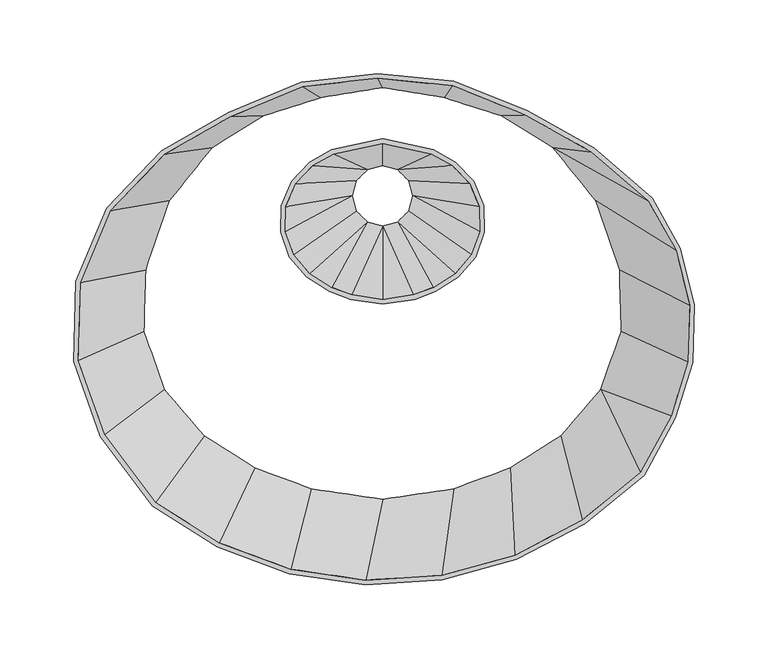
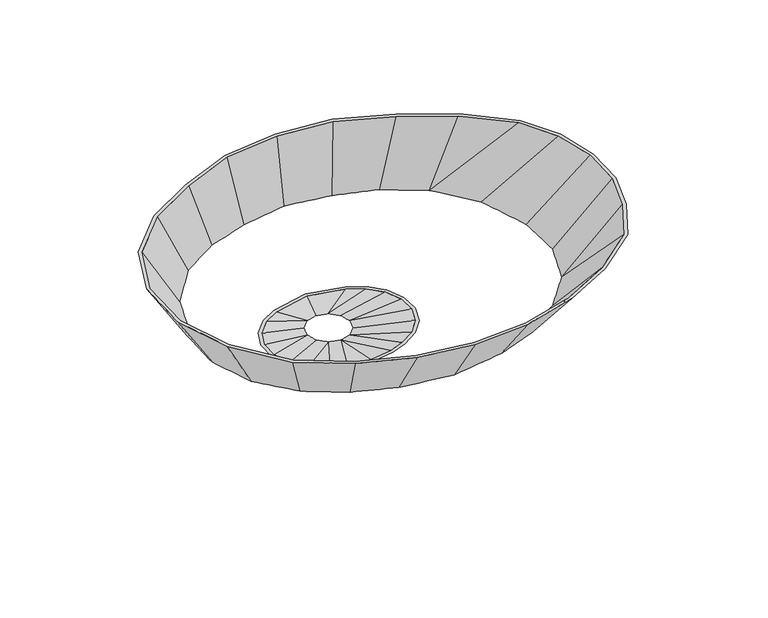
"""IFC4 building model written with IfcOpenShell, lengths in millimetres: furniture geometry."""

from ifc_helpers import new_model, si_unit, frame, origin, place, context, project, spatial, source, transform, mapped, element, save
from ifc_brep_helpers import plane_surface, spline_surface, advanced_brep


def furniture_09c26f7a(model_context):
    return source(origin(), model_context, "Body", "AdvancedBrep", [
        advanced_brep(
        [(18.7377049, -168.1204068, 750.7079192), (-15.5833152, -175.4794291, 750.7079192), (-30.5522779, -184.0432232, 750.7079192), (-42.9697976, -197.0068215, 750.7079192), (-49.8899966, -213.5706724, 750.7079192), (-50.3855513, -231.5151439, 750.7079192), (-44.3900597, -248.4356591, 750.7079192), (-32.7069066, -262.0648054, 750.7079192), (-17.1439621, -271.8912115, 750.7079192), (-2.9492076, -277.1476864, 750.7079192), (18.7377049, -280.3393492, 750.7079192), (40.4246174, -277.1476864, 750.7079192), (54.6193719, -271.8912115, 750.7079192), (70.1823164, -262.0648054, 750.7079192), (81.8654696, -248.4356591, 750.7079192), (87.8609612, -231.5151439, 750.7079192), (87.3654064, -213.5706724, 750.7079192), (80.4452074, -197.0068215, 750.7079192), (68.0276878, -184.0432232, 750.7079192), (53.058725, -175.4794291, 750.7079192), (-28.5770714, -186.5710742, 750.7079192), (-14.4350781, -178.480392, 750.7079192), (18.7377049, -171.3675717, 750.7079192), (51.910488, -178.480392, 750.7079192), (66.0524813, -186.5710742, 750.7079192), (77.7434795, -198.7762011, 750.7079192), (84.2079343, -214.2492051, 750.7079192), (84.6708533, -231.0119058, 750.7079192), (79.0702084, -246.8180821, 750.7079192), (68.0829473, -259.6354257, 750.7079192), (53.2052299, -269.0291811, 750.7079192), (39.6336228, -274.0548976, 750.7079192), (18.7377049, -277.1301497, 750.7079192), (-2.1582129, -274.0548976, 750.7079192), (-15.7298201, -269.0291811, 750.7079192), (-30.6075374, -259.6354257, 750.7079192), (-41.5947986, -246.8180821, 750.7079192), (-47.1954435, -231.0119058, 750.7079192), (-46.7325245, -214.2492051, 750.7079192), (-40.2680696, -198.7762011, 750.7079192), (18.7502473, -183.1179709, 740.1668732), (30.6564973, -186.3082376, 740.1668732), (39.3724806, -195.0242209, 740.1668732), (42.5627473, -206.9304709, 740.1668732), (39.3724806, -218.8367209, 740.1668732), (30.6564973, -227.5527041, 740.1668732), (18.7502473, -230.7429709, 740.1668732), (6.8439973, -227.5527041, 740.1668732), (-1.8719859, -218.8367209, 740.1668732), (-5.0622527, -206.9304709, 740.1668732), (-1.8719859, -195.0242209, 740.1668732), (6.8439973, -186.3082376, 740.1668732), (8.4874979, -189.154865, 740.1668732), (0.9746415, -196.6677215, 740.1668732), (-1.7752511, -206.9304709, 740.1668732), (0.9746415, -217.1932202, 740.1668732), (8.4874979, -224.7060767, 740.1668732), (18.7502473, -227.4559692, 740.1668732), (29.0129967, -224.7060767, 740.1668732), (36.5258531, -217.1932202, 740.1668732), (39.2757457, -206.9304709, 740.1668732), (36.5258531, -196.6677215, 740.1668732), (29.0129967, -189.154865, 740.1668732), (18.7502473, -186.4049725, 740.1668732)],
        [
            (0, 1),
            (1, 2),
            (2, 3),
            (3, 4),
            (4, 5),
            (5, 6),
            (6, 7),
            (7, 8),
            (8, 9),
            (9, 10),
            (10, 11),
            (11, 12),
            (12, 13),
            (13, 14),
            (14, 15),
            (15, 16),
            (16, 17),
            (17, 18),
            (18, 19),
            (19, 0),
            (20, 21),
            (21, 22),
            (22, 23),
            (23, 24),
            (24, 25),
            (25, 26),
            (26, 27),
            (27, 28),
            (28, 29),
            (29, 30),
            (30, 31),
            (31, 32),
            (32, 33),
            (33, 34),
            (34, 35),
            (35, 36),
            (36, 37),
            (37, 38),
            (38, 39),
            (39, 20),
            (40, 41),
            (41, 42),
            (42, 43),
            (43, 44),
            (44, 45),
            (45, 46),
            (46, 47),
            (47, 48),
            (48, 49),
            (49, 50),
            (50, 51),
            (51, 40),
            (52, 53),
            (53, 54),
            (54, 55),
            (55, 56),
            (56, 57),
            (57, 58),
            (58, 59),
            (59, 60),
            (60, 61),
            (61, 62),
            (62, 63),
            (63, 52),
            (0, 40),
            (51, 1),
            (51, 2),
            (50, 3),
            (49, 4),
            (49, 5),
            (48, 6),
            (47, 7),
            (47, 8),
            (46, 9),
            (46, 10),
            (46, 11),
            (45, 12),
            (45, 13),
            (44, 14),
            (43, 15),
            (43, 16),
            (42, 17),
            (41, 18),
            (41, 19),
            (20, 52),
            (52, 21),
            (39, 53),
            (38, 54),
            (37, 54),
            (36, 55),
            (35, 56),
            (34, 56),
            (33, 57),
            (32, 57),
            (31, 57),
            (30, 58),
            (29, 58),
            (28, 59),
            (27, 60),
            (26, 60),
            (25, 61),
            (24, 62),
            (23, 62),
            (22, 63),
        ],
        [
            plane_surface(frame((18.7377049, -228.538453, 750.7079192), z_axis=(0.0, 0.0, 1.0), x_axis=(-0.9777760359264014, -0.2096521489707481, 0.0))),
            plane_surface(frame((18.7502473, -206.9304709, 740.1668732), z_axis=(0.0, 0.0, -1.0), x_axis=(-0.9777760359264014, -0.2096521489707481, 0.0))),
            spline_surface(1, 1, [[(18.7502473, -183.1179709, 740.1668732), (18.7377049, -168.1204068, 750.7079192)], [(6.8439973, -186.3082376, 740.1668732), (-15.5833152, -175.4794291, 750.7079192)]], [2, 2], [2, 2], [0.0, 1.0], [0.0, 1.0]),
            plane_surface(frame((6.8439973, -186.3082376, 740.1668732), z_axis=(-0.22676185041430638, 0.3963651672834325, -0.889648086245936), x_axis=(-0.8679907178502557, -0.4965804201997878, 0.0))),
            spline_surface(1, 1, [[(6.8439973, -186.3082376, 740.1668732), (-30.5522779, -184.0432232, 750.7079192)], [(-1.8719859, -195.0242209, 740.1668732), (-42.9697976, -197.0068215, 750.7079192)]], [2, 2], [2, 2], [0.0, 1.0], [0.0, 1.0]),
            spline_surface(1, 1, [[(-1.8719859, -195.0242209, 740.1668732), (-42.9697976, -197.0068215, 750.7079192)], [(-5.0622527, -206.9304709, 740.1668732), (-49.8899966, -213.5706724, 750.7079192)]], [2, 2], [2, 2], [0.0, 1.0], [0.0, 1.0]),
            plane_surface(frame((-5.0622527, -206.9304709, 740.1668732), z_axis=(-0.22978835910847809, 0.006345838585882199, -0.9732199342136776), x_axis=(-0.02760548961262403, -0.9996188958514376, 0.0))),
            spline_surface(1, 1, [[(-5.0622527, -206.9304709, 740.1668732), (-50.3855513, -231.5151439, 750.7079192)], [(-1.8719859, -218.8367209, 740.1668732), (-44.3900597, -248.4356591, 750.7079192)]], [2, 2], [2, 2], [0.0, 1.0], [0.0, 1.0]),
            spline_surface(1, 1, [[(-1.8719859, -218.8367209, 740.1668732), (-44.3900597, -248.4356591, 750.7079192)], [(6.8439973, -227.5527041, 740.1668732), (-32.7069066, -262.0648054, 750.7079192)]], [2, 2], [2, 2], [0.0, 1.0], [0.0, 1.0]),
            plane_surface(frame((6.8439973, -227.5527041, 740.1668732), z_axis=(-0.10950888753115123, -0.17343886598891994, -0.978737331114006), x_axis=(0.8455581181800956, -0.5338833850006344, 0.0))),
            spline_surface(1, 1, [[(6.8439973, -227.5527041, 740.1668732), (-17.1439621, -271.8912115, 750.7079192)], [(18.7502473, -230.7429709, 740.1668732), (-2.9492076, -277.1476864, 750.7079192)]], [2, 2], [2, 2], [0.0, 1.0], [0.0, 1.0]),
            plane_surface(frame((18.7502473, -230.7429709, 740.1668732), z_axis=(-0.030580216171947783, -0.2077883882019196, -0.9776956766332383), x_axis=(0.9893432972940192, -0.14560164868365444, 0.0))),
            plane_surface(frame((18.7502473, -230.7429709, 740.1668732), z_axis=(0.03058239208429286, -0.20780317322883082, -0.9776924662133956), x_axis=(0.9893432972940192, 0.14560164868365444, 0.0))),
            spline_surface(1, 1, [[(18.7502473, -230.7429709, 740.1668732), (40.4246174, -277.1476864, 750.7079192)], [(30.6564973, -227.5527041, 740.1668732), (54.6193719, -271.8912115, 750.7079192)]], [2, 2], [2, 2], [0.0, 1.0], [0.0, 1.0]),
            plane_surface(frame((30.6564973, -227.5527041, 740.1668732), z_axis=(0.10953682581018129, -0.17348311430101493, -0.9787263625977647), x_axis=(0.8455581181800956, 0.5338833850006344, 0.0))),
            spline_surface(1, 1, [[(30.6564973, -227.5527041, 740.1668732), (70.1823164, -262.0648054, 750.7079192)], [(39.3724806, -218.8367209, 740.1668732), (81.8654696, -248.4356591, 750.7079192)]], [2, 2], [2, 2], [0.0, 1.0], [0.0, 1.0]),
            spline_surface(1, 1, [[(39.3724806, -218.8367209, 740.1668732), (81.8654696, -248.4356591, 750.7079192)], [(42.5627473, -206.9304709, 740.1668732), (87.8609612, -231.5151439, 750.7079192)]], [2, 2], [2, 2], [0.0, 1.0], [0.0, 1.0]),
            plane_surface(frame((42.5627473, -206.9304709, 740.1668732), z_axis=(0.2299107131132436, 0.00634921751581403, -0.9731910148746219), x_axis=(-0.02760548961262403, 0.9996188958514376, 0.0))),
            spline_surface(1, 1, [[(42.5627473, -206.9304709, 740.1668732), (87.3654064, -213.5706724, 750.7079192)], [(39.3724806, -195.0242209, 740.1668732), (80.4452074, -197.0068215, 750.7079192)]], [2, 2], [2, 2], [0.0, 1.0], [0.0, 1.0]),
            spline_surface(1, 1, [[(39.3724806, -195.0242209, 740.1668732), (80.4452074, -197.0068215, 750.7079192)], [(30.6564973, -186.3082376, 740.1668732), (68.0276878, -184.0432232, 750.7079192)]], [2, 2], [2, 2], [0.0, 1.0], [0.0, 1.0]),
            plane_surface(frame((30.6564973, -186.3082376, 740.1668732), z_axis=(0.2268707598977744, 0.39655553407376637, -0.8895354780439488), x_axis=(-0.8679907178502557, 0.4965804201997878, 0.0))),
            spline_surface(1, 1, [[(30.6564973, -186.3082376, 740.1668732), (53.058725, -175.4794291, 750.7079192)], [(18.7502473, -183.1179709, 740.1668732), (18.7377049, -168.1204068, 750.7079192)]], [2, 2], [2, 2], [0.0, 1.0], [0.0, 1.0]),
            plane_surface(frame((8.4874979, -189.154865, 740.1668732), z_axis=(0.22578689214725703, -0.3946610027782154, 0.8906531155397012), x_axis=(-0.8679907178502556, -0.4965804201997879, 0.0))),
            spline_surface(1, 1, [[(8.4874979, -189.154865, 740.1668732), (0.9746415, -196.6677215, 740.1668732)], [(-28.5770714, -186.5710742, 750.7079192), (-40.2680696, -198.7762011, 750.7079192)]], [2, 2], [2, 2], [0.0, 1.0], [0.0, 1.0]),
            spline_surface(1, 1, [[(0.9746415, -196.6677215, 740.1668732), (-1.7752511, -206.9304709, 740.1668732)], [(-40.2680696, -198.7762011, 750.7079192), (-46.7325245, -214.2492051, 750.7079192)]], [2, 2], [2, 2], [0.0, 1.0], [0.0, 1.0]),
            plane_surface(frame((-1.7752511, -206.9304709, 740.1668732), z_axis=(0.2292494726861555, -0.0063309566907964925, 0.9733471108810562), x_axis=(-0.02760548961262429, -0.9996188958514376, 0.0))),
            spline_surface(1, 1, [[(-1.7752511, -206.9304709, 740.1668732), (0.9746415, -217.1932202, 740.1668732)], [(-47.1954435, -231.0119058, 750.7079192), (-41.5947986, -246.8180821, 750.7079192)]], [2, 2], [2, 2], [0.0, 1.0], [0.0, 1.0]),
            spline_surface(1, 1, [[(0.9746415, -217.1932202, 740.1668732), (8.4874979, -224.7060767, 740.1668732)], [(-41.5947986, -246.8180821, 750.7079192), (-30.6075374, -259.6354257, 750.7079192)]], [2, 2], [2, 2], [0.0, 1.0], [0.0, 1.0]),
            plane_surface(frame((8.4874979, -224.7060767, 740.1668732), z_axis=(0.10928112966596355, 0.17307814580676173, 0.9788266394735201), x_axis=(0.845558118180096, -0.5338833850006338, 0.0))),
            spline_surface(1, 1, [[(8.4874979, -224.7060767, 740.1668732), (18.7502473, -227.4559692, 740.1668732)], [(-15.7298201, -269.0291811, 750.7079192), (-2.1582129, -274.0548976, 750.7079192)]], [2, 2], [2, 2], [0.0, 1.0], [0.0, 1.0]),
            plane_surface(frame((18.7502473, -227.4559692, 740.1668732), z_axis=(0.030534429642633518, 0.20747727499480403, 0.9777631763198744), x_axis=(0.9893432972940192, -0.14560164868365377, 0.0))),
            plane_surface(frame((18.7502473, -227.4559692, 740.1668732), z_axis=(-0.0305365991936145, 0.2074920167971156, 0.9777599802994363), x_axis=(0.989343297294019, 0.14560164868365397, 0.0))),
            spline_surface(1, 1, [[(18.7502473, -227.4559692, 740.1668732), (29.0129967, -224.7060767, 740.1668732)], [(39.6336228, -274.0548976, 750.7079192), (53.2052299, -269.0291811, 750.7079192)]], [2, 2], [2, 2], [0.0, 1.0], [0.0, 1.0]),
            plane_surface(frame((29.0129967, -224.7060767, 740.1668732), z_axis=(-0.10930895437872662, 0.1731222142539615, 0.9788157392606818), x_axis=(0.8455581181800956, 0.5338833850006343, 0.0))),
            spline_surface(1, 1, [[(29.0129967, -224.7060767, 740.1668732), (36.5258531, -217.1932202, 740.1668732)], [(68.0829473, -259.6354257, 750.7079192), (79.0702084, -246.8180821, 750.7079192)]], [2, 2], [2, 2], [0.0, 1.0], [0.0, 1.0]),
            spline_surface(1, 1, [[(36.5258531, -217.1932202, 740.1668732), (39.2757457, -206.9304709, 740.1668732)], [(79.0702084, -246.8180821, 750.7079192), (84.6708533, -231.0119058, 750.7079192)]], [2, 2], [2, 2], [0.0, 1.0], [0.0, 1.0]),
            plane_surface(frame((39.2757457, -206.9304709, 740.1668732), z_axis=(-0.22937126927186283, -0.006334320227035704, 0.9733183945759353), x_axis=(-0.02760548961262429, 0.9996188958514376, 0.0))),
            spline_surface(1, 1, [[(39.2757457, -206.9304709, 740.1668732), (36.5258531, -196.6677215, 740.1668732)], [(84.2079343, -214.2492051, 750.7079192), (77.7434795, -198.7762011, 750.7079192)]], [2, 2], [2, 2], [0.0, 1.0], [0.0, 1.0]),
            spline_surface(1, 1, [[(36.5258531, -196.6677215, 740.1668732), (29.0129967, -189.154865, 740.1668732)], [(77.7434795, -198.7762011, 750.7079192), (66.0524813, -186.5710742, 750.7079192)]], [2, 2], [2, 2], [0.0, 1.0], [0.0, 1.0]),
            plane_surface(frame((29.0129967, -189.154865, 740.1668732), z_axis=(-0.22589498904476804, -0.3948499492204255, 0.890541953826484), x_axis=(-0.8679907178502556, 0.496580420199788, 0.0))),
            spline_surface(1, 1, [[(29.0129967, -189.154865, 740.1668732), (18.7502473, -186.4049725, 740.1668732)], [(51.910488, -178.480392, 750.7079192), (18.7377049, -171.3675717, 750.7079192)]], [2, 2], [2, 2], [0.0, 1.0], [0.0, 1.0]),
            spline_surface(1, 1, [[(18.7502473, -186.4049725, 740.1668732), (8.4874979, -189.154865, 740.1668732)], [(18.7377049, -171.3675717, 750.7079192), (-14.4350781, -178.480392, 750.7079192)]], [2, 2], [2, 2], [0.0, 1.0], [0.0, 1.0]),
        ],
        [
            (0, [[1, 2, 3, 4, 5, 6, 7, 8, 9, 10, 11, 12, 13, 14, 15, 16, 17, 18, 19, 20], [21, 22, 23, 24, 25, 26, 27, 28, 29, 30, 31, 32, 33, 34, 35, 36, 37, 38, 39, 40]]),
            (1, [[41, 42, 43, 44, 45, 46, 47, 48, 49, 50, 51, 52], [53, 54, 55, 56, 57, 58, 59, 60, 61, 62, 63, 64]]),
            (2, [[-1, 65, -52, 66]]),
            (3, [[-2, -66, 67]]),
            (4, [[-3, -67, -51, 68]]),
            (5, [[-4, -68, -50, 69]]),
            (6, [[-5, -69, 70]]),
            (7, [[-6, -70, -49, 71]]),
            (8, [[-7, -71, -48, 72]]),
            (9, [[-8, -72, 73]]),
            (10, [[-9, -73, -47, 74]]),
            (11, [[-10, -74, 75]]),
            (12, [[-11, -75, 76]]),
            (13, [[-12, -76, -46, 77]]),
            (14, [[-13, -77, 78]]),
            (15, [[-14, -78, -45, 79]]),
            (16, [[-15, -79, -44, 80]]),
            (17, [[-16, -80, 81]]),
            (18, [[-17, -81, -43, 82]]),
            (19, [[-18, -82, -42, 83]]),
            (20, [[-19, -83, 84]]),
            (21, [[-20, -84, -41, -65]]),
            (22, [[85, 86, -21]]),
            (23, [[-85, -40, 87, -53]]),
            (24, [[-87, -39, 88, -54]]),
            (25, [[-88, -38, 89]]),
            (26, [[-89, -37, 90, -55]]),
            (27, [[-90, -36, 91, -56]]),
            (28, [[-91, -35, 92]]),
            (29, [[-92, -34, 93, -57]]),
            (30, [[-93, -33, 94]]),
            (31, [[-94, -32, 95]]),
            (32, [[-95, -31, 96, -58]]),
            (33, [[-96, -30, 97]]),
            (34, [[-97, -29, 98, -59]]),
            (35, [[-98, -28, 99, -60]]),
            (36, [[-99, -27, 100]]),
            (37, [[-100, -26, 101, -61]]),
            (38, [[-101, -25, 102, -62]]),
            (39, [[-102, -24, 103]]),
            (40, [[-103, -23, 104, -63]]),
            (41, [[-86, -64, -104, -22]]),
        ],
    ),
        advanced_brep(
        [(-36.2924981, -129.6580708, 887.4958437), (-85.7509163, -150.3757834, 887.4958437), (-130.8877143, -176.1986803, 887.4958437), (-168.3309775, -215.2885726, 887.4958437), (-189.1978451, -265.234452, 887.4958437), (-190.6921126, -319.3434676, 887.4958437), (-172.6135422, -370.3648446, 887.4958437), (-137.3847014, -417.400709, 887.4958437), (-93.2756205, -445.2510803, 887.4958437), (-44.3564135, -463.366399, 887.4958437), (7.2532996, -470.9617566, 887.4958437), (59.3173637, -467.7081034, 887.4958437), (109.5799207, -453.746383, 887.4958437), (155.8631422, -429.6815364, 887.4958437), (196.1616272, -396.5562328, 887.4958437), (217.3921263, -357.6151867, 887.4958437), (229.0085321, -320.1329179, 887.4958437), (230.1622044, -280.908786, 887.4958437), (220.7688461, -242.808568, 887.4958437), (201.5147161, -208.6158513, 887.4958437), (162.2176598, -174.5586278, 887.4958437), (116.7947056, -149.2424405, 887.4958437), (67.1596357, -129.0791999, 887.4958437), (15.4037106, -124.03177, 887.4958437), (-128.912508, -178.7265314, 887.4958437), (-84.3439315, -153.2287157, 887.4958437), (-35.4908467, -132.7645723, 887.4958437), (15.4215704, -127.2235745, 887.4958437), (66.3922003, -132.1944195, 887.4958437), (115.4192187, -152.1106515, 887.4958437), (160.3858146, -177.1724905, 887.4958437), (199.0186923, -210.6540964, 887.4958437), (217.7898193, -243.9890654, 887.4958437), (226.9758448, -281.2483247, 887.4958437), (225.8476366, -319.606692, 887.4958437), (214.4530776, -356.3731352, 887.4958437), (193.6691606, -394.4950589, 887.4958437), (154.1036777, -427.0178358, 887.4958437), (108.4100272, -450.7761364, 887.4958437), (58.78773, -464.5600082, 887.4958437), (7.3868729, -467.7722153, 887.4958437), (-43.5654203, -460.2736097, 887.4958437), (-91.8614786, -442.3890498, 887.4958437), (-135.1944899, -415.0286871, 887.4958437), (-169.7823793, -368.8485902, 887.4958437), (-187.5020047, -318.8402284, 887.4958437), (-186.0403729, -265.9129849, 887.4958437), (-165.6292497, -217.0579524, 887.4958437), (-24.0597237, -137.2040855, 819.3162208), (18.7377049, -130.2570379, 819.3162208), (61.5351335, -137.2040855, 819.3162208), (100.7101042, -149.7707967, 819.3162208), (136.4620281, -171.7890657, 819.3162208), (166.1200561, -208.6531673, 819.3162208), (182.6482714, -256.6473671, 819.3162208), (183.8318474, -299.5059975, 819.3162208), (169.5121819, -339.9189559, 819.3162208), (141.6081529, -372.4708933, 819.3162208), (106.67026, -394.530557, 819.3162208), (67.922389, -408.8793178, 819.3162208), (18.7377049, -416.1178339, 819.3162208), (-30.4469791, -408.8793178, 819.3162208), (-69.1948502, -394.530557, 819.3162208), (-104.1327431, -372.4708933, 819.3162208), (-132.036772, -339.9189559, 819.3162208), (-146.3564376, -299.5059975, 819.3162208), (-145.1728616, -256.6473671, 819.3162208), (-128.6446462, -208.6531673, 819.3162208), (-98.9866182, -171.7890657, 819.3162208), (-63.2346944, -149.7707967, 819.3162208), (-61.897904, -152.6763339, 819.3162208), (-96.8557965, -174.2055888, 819.3162208), (-125.8232407, -210.211314, 819.3162208), (-142.0124997, -257.2212613, 819.3162208), (-143.1663298, -299.0027578, 819.3162208), (-129.2415108, -338.3013803, 819.3162208), (-102.0333726, -370.041514, 819.3162208), (-67.7807095, -391.668526, 819.3162208), (-29.6559845, -405.7865291, 819.3162208), (18.7377049, -412.9086344, 819.3162208), (67.1313943, -405.7865291, 819.3162208), (105.2561194, -391.668526, 819.3162208), (139.5087825, -370.041514, 819.3162208), (166.7169206, -338.3013803, 819.3162208), (180.6417396, -299.0027578, 819.3162208), (179.4879095, -257.2212613, 819.3162208), (163.2986505, -210.211314, 819.3162208), (134.3312064, -174.2055888, 819.3162208), (99.3733139, -152.6763339, 819.3162208), (60.7917211, -140.2999691, 819.3162208), (18.7377049, -133.4735951, 819.3162208), (-23.3163113, -140.2999691, 819.3162208)],
        [
            (0, 1),
            (1, 2),
            (2, 3),
            (3, 4),
            (4, 5),
            (5, 6),
            (6, 7),
            (7, 8),
            (8, 9),
            (9, 10),
            (10, 11),
            (11, 12),
            (12, 13),
            (13, 14),
            (14, 15),
            (15, 16),
            (16, 17),
            (17, 18),
            (18, 19),
            (19, 20),
            (20, 21),
            (21, 22),
            (22, 23),
            (23, 0),
            (24, 25),
            (25, 26),
            (26, 27),
            (27, 28),
            (28, 29),
            (29, 30),
            (30, 31),
            (31, 32),
            (32, 33),
            (33, 34),
            (34, 35),
            (35, 36),
            (36, 37),
            (37, 38),
            (38, 39),
            (39, 40),
            (40, 41),
            (41, 42),
            (42, 43),
            (43, 44),
            (44, 45),
            (45, 46),
            (46, 47),
            (47, 24),
            (48, 49),
            (49, 50),
            (50, 51),
            (51, 52),
            (52, 53),
            (53, 54),
            (54, 55),
            (55, 56),
            (56, 57),
            (57, 58),
            (58, 59),
            (59, 60),
            (60, 61),
            (61, 62),
            (62, 63),
            (63, 64),
            (64, 65),
            (65, 66),
            (66, 67),
            (67, 68),
            (68, 69),
            (69, 48),
            (70, 71),
            (71, 72),
            (72, 73),
            (73, 74),
            (74, 75),
            (75, 76),
            (76, 77),
            (77, 78),
            (78, 79),
            (79, 80),
            (80, 81),
            (81, 82),
            (82, 83),
            (83, 84),
            (84, 85),
            (85, 86),
            (86, 87),
            (87, 88),
            (88, 89),
            (89, 90),
            (90, 91),
            (91, 70),
            (0, 48),
            (69, 1),
            (68, 2),
            (67, 3),
            (66, 4),
            (65, 5),
            (64, 6),
            (63, 7),
            (62, 8),
            (61, 9),
            (60, 10),
            (59, 11),
            (58, 12),
            (57, 13),
            (56, 14),
            (56, 15),
            (55, 16),
            (54, 17),
            (53, 18),
            (52, 19),
            (52, 20),
            (51, 21),
            (50, 22),
            (49, 23),
            (70, 25),
            (24, 71),
            (47, 72),
            (46, 73),
            (45, 74),
            (44, 75),
            (43, 76),
            (42, 77),
            (41, 78),
            (40, 79),
            (39, 80),
            (38, 81),
            (37, 82),
            (36, 83),
            (35, 83),
            (34, 84),
            (33, 85),
            (32, 86),
            (31, 87),
            (30, 87),
            (29, 88),
            (28, 89),
            (27, 90),
            (26, 91),
        ],
        [
            plane_surface(frame((30.8256312, -298.2553925, 887.4958437), z_axis=(0.0, 0.0, 1.0), x_axis=(-0.9941296877717526, -0.10819502710770809, 0.0))),
            plane_surface(frame((18.7377049, -273.8688763, 819.3162208), z_axis=(0.0, 0.0, -1.0), x_axis=(-0.9941296877717526, -0.10819502710770809, 0.0))),
            spline_surface(1, 1, [[(-24.0597237, -137.2040855, 819.3162208), (-36.2924981, -129.6580708, 887.4958437)], [(-63.2346944, -149.7707967, 819.3162208), (-85.7509163, -150.3757834, 887.4958437)]], [2, 2], [2, 2], [0.0, 1.0], [0.0, 1.0]),
            spline_surface(1, 1, [[(-63.2346944, -149.7707967, 819.3162208), (-85.7509163, -150.3757834, 887.4958437)], [(-98.9866182, -171.7890657, 819.3162208), (-130.8877143, -176.1986803, 887.4958437)]], [2, 2], [2, 2], [0.0, 1.0], [0.0, 1.0]),
            spline_surface(1, 1, [[(-98.9866182, -171.7890657, 819.3162208), (-130.8877143, -176.1986803, 887.4958437)], [(-128.6446462, -208.6531673, 819.3162208), (-168.3309775, -215.2885726, 887.4958437)]], [2, 2], [2, 2], [0.0, 1.0], [0.0, 1.0]),
            spline_surface(1, 1, [[(-128.6446462, -208.6531673, 819.3162208), (-168.3309775, -215.2885726, 887.4958437)], [(-145.1728616, -256.6473671, 819.3162208), (-189.1978451, -265.234452, 887.4958437)]], [2, 2], [2, 2], [0.0, 1.0], [0.0, 1.0]),
            spline_surface(1, 1, [[(-145.1728616, -256.6473671, 819.3162208), (-189.1978451, -265.234452, 887.4958437)], [(-146.3564376, -299.5059975, 819.3162208), (-190.6921126, -319.3434676, 887.4958437)]], [2, 2], [2, 2], [0.0, 1.0], [0.0, 1.0]),
            spline_surface(1, 1, [[(-146.3564376, -299.5059975, 819.3162208), (-190.6921126, -319.3434676, 887.4958437)], [(-132.036772, -339.9189559, 819.3162208), (-172.6135422, -370.3648446, 887.4958437)]], [2, 2], [2, 2], [0.0, 1.0], [0.0, 1.0]),
            spline_surface(1, 1, [[(-132.036772, -339.9189559, 819.3162208), (-172.6135422, -370.3648446, 887.4958437)], [(-104.1327431, -372.4708933, 819.3162208), (-137.3847014, -417.400709, 887.4958437)]], [2, 2], [2, 2], [0.0, 1.0], [0.0, 1.0]),
            spline_surface(1, 1, [[(-104.1327431, -372.4708933, 819.3162208), (-137.3847014, -417.400709, 887.4958437)], [(-69.1948502, -394.530557, 819.3162208), (-93.2756205, -445.2510803, 887.4958437)]], [2, 2], [2, 2], [0.0, 1.0], [0.0, 1.0]),
            spline_surface(1, 1, [[(-69.1948502, -394.530557, 819.3162208), (-93.2756205, -445.2510803, 887.4958437)], [(-30.4469791, -408.8793178, 819.3162208), (-44.3564135, -463.366399, 887.4958437)]], [2, 2], [2, 2], [0.0, 1.0], [0.0, 1.0]),
            spline_surface(1, 1, [[(-30.4469791, -408.8793178, 819.3162208), (-44.3564135, -463.366399, 887.4958437)], [(18.7377049, -416.1178339, 819.3162208), (7.2532996, -470.9617566, 887.4958437)]], [2, 2], [2, 2], [0.0, 1.0], [0.0, 1.0]),
            spline_surface(1, 1, [[(18.7377049, -416.1178339, 819.3162208), (7.2532996, -470.9617566, 887.4958437)], [(67.922389, -408.8793178, 819.3162208), (59.3173637, -467.7081034, 887.4958437)]], [2, 2], [2, 2], [0.0, 1.0], [0.0, 1.0]),
            spline_surface(1, 1, [[(67.922389, -408.8793178, 819.3162208), (59.3173637, -467.7081034, 887.4958437)], [(106.67026, -394.530557, 819.3162208), (109.5799207, -453.746383, 887.4958437)]], [2, 2], [2, 2], [0.0, 1.0], [0.0, 1.0]),
            spline_surface(1, 1, [[(106.67026, -394.530557, 819.3162208), (109.5799207, -453.746383, 887.4958437)], [(141.6081529, -372.4708933, 819.3162208), (155.8631422, -429.6815364, 887.4958437)]], [2, 2], [2, 2], [0.0, 1.0], [0.0, 1.0]),
            spline_surface(1, 1, [[(141.6081529, -372.4708933, 819.3162208), (155.8631422, -429.6815364, 887.4958437)], [(169.5121819, -339.9189559, 819.3162208), (196.1616272, -396.5562328, 887.4958437)]], [2, 2], [2, 2], [0.0, 1.0], [0.0, 1.0]),
            plane_surface(frame((169.5121819, -339.9189559, 819.3162208), z_axis=(0.7054886878724277, -0.3846295496459175, -0.5952695362801789), x_axis=(0.47867711313528405, 0.8779910143962013, 0.0))),
            spline_surface(1, 1, [[(169.5121819, -339.9189559, 819.3162208), (217.3921263, -357.6151867, 887.4958437)], [(183.8318474, -299.5059975, 819.3162208), (229.0085321, -320.1329179, 887.4958437)]], [2, 2], [2, 2], [0.0, 1.0], [0.0, 1.0]),
            spline_surface(1, 1, [[(183.8318474, -299.5059975, 819.3162208), (229.0085321, -320.1329179, 887.4958437)], [(182.6482714, -256.6473671, 819.3162208), (230.1622044, -280.908786, 887.4958437)]], [2, 2], [2, 2], [0.0, 1.0], [0.0, 1.0]),
            spline_surface(1, 1, [[(182.6482714, -256.6473671, 819.3162208), (230.1622044, -280.908786, 887.4958437)], [(166.1200561, -208.6531673, 819.3162208), (220.7688461, -242.808568, 887.4958437)]], [2, 2], [2, 2], [0.0, 1.0], [0.0, 1.0]),
            spline_surface(1, 1, [[(166.1200561, -208.6531673, 819.3162208), (220.7688461, -242.808568, 887.4958437)], [(136.4620281, -171.7890657, 819.3162208), (201.5147161, -208.6158513, 887.4958437)]], [2, 2], [2, 2], [0.0, 1.0], [0.0, 1.0]),
            plane_surface(frame((136.4620281, -171.7890657, 819.3162208), z_axis=(0.6400707163279921, 0.7385480194361816, -0.2117930619408121), x_axis=(-0.7556912268584468, 0.6549280644843184, 0.0))),
            spline_surface(1, 1, [[(136.4620281, -171.7890657, 819.3162208), (162.2176598, -174.5586278, 887.4958437)], [(100.7101042, -149.7707967, 819.3162208), (116.7947056, -149.2424405, 887.4958437)]], [2, 2], [2, 2], [0.0, 1.0], [0.0, 1.0]),
            spline_surface(1, 1, [[(100.7101042, -149.7707967, 819.3162208), (116.7947056, -149.2424405, 887.4958437)], [(61.5351335, -137.2040855, 819.3162208), (67.1596357, -129.0791999, 887.4958437)]], [2, 2], [2, 2], [0.0, 1.0], [0.0, 1.0]),
            spline_surface(1, 1, [[(61.5351335, -137.2040855, 819.3162208), (67.1596357, -129.0791999, 887.4958437)], [(18.7377049, -130.2570379, 819.3162208), (15.4037106, -124.03177, 887.4958437)]], [2, 2], [2, 2], [0.0, 1.0], [0.0, 1.0]),
            spline_surface(1, 1, [[(18.7377049, -130.2570379, 819.3162208), (15.4037106, -124.03177, 887.4958437)], [(-24.0597237, -137.2040855, 819.3162208), (-36.2924981, -129.6580708, 887.4958437)]], [2, 2], [2, 2], [0.0, 1.0], [0.0, 1.0]),
            spline_surface(1, 1, [[(-61.897904, -152.6763339, 819.3162208), (-96.8557965, -174.2055888, 819.3162208)], [(-84.3439315, -153.2287157, 887.4958437), (-128.912508, -178.7265314, 887.4958437)]], [2, 2], [2, 2], [0.0, 1.0], [0.0, 1.0]),
            spline_surface(1, 1, [[(-96.8557965, -174.2055888, 819.3162208), (-125.8232407, -210.211314, 819.3162208)], [(-128.912508, -178.7265314, 887.4958437), (-165.6292497, -217.0579524, 887.4958437)]], [2, 2], [2, 2], [0.0, 1.0], [0.0, 1.0]),
            spline_surface(1, 1, [[(-125.8232407, -210.211314, 819.3162208), (-142.0124997, -257.2212613, 819.3162208)], [(-165.6292497, -217.0579524, 887.4958437), (-186.0403729, -265.9129849, 887.4958437)]], [2, 2], [2, 2], [0.0, 1.0], [0.0, 1.0]),
            spline_surface(1, 1, [[(-142.0124997, -257.2212613, 819.3162208), (-143.1663298, -299.0027578, 819.3162208)], [(-186.0403729, -265.9129849, 887.4958437), (-187.5020047, -318.8402284, 887.4958437)]], [2, 2], [2, 2], [0.0, 1.0], [0.0, 1.0]),
            spline_surface(1, 1, [[(-143.1663298, -299.0027578, 819.3162208), (-129.2415108, -338.3013803, 819.3162208)], [(-187.5020047, -318.8402284, 887.4958437), (-169.7823793, -368.8485902, 887.4958437)]], [2, 2], [2, 2], [0.0, 1.0], [0.0, 1.0]),
            spline_surface(1, 1, [[(-129.2415108, -338.3013803, 819.3162208), (-102.0333726, -370.041514, 819.3162208)], [(-169.7823793, -368.8485902, 887.4958437), (-135.1944899, -415.0286871, 887.4958437)]], [2, 2], [2, 2], [0.0, 1.0], [0.0, 1.0]),
            spline_surface(1, 1, [[(-102.0333726, -370.041514, 819.3162208), (-67.7807095, -391.668526, 819.3162208)], [(-135.1944899, -415.0286871, 887.4958437), (-91.8614786, -442.3890498, 887.4958437)]], [2, 2], [2, 2], [0.0, 1.0], [0.0, 1.0]),
            spline_surface(1, 1, [[(-67.7807095, -391.668526, 819.3162208), (-29.6559845, -405.7865291, 819.3162208)], [(-91.8614786, -442.3890498, 887.4958437), (-43.5654203, -460.2736097, 887.4958437)]], [2, 2], [2, 2], [0.0, 1.0], [0.0, 1.0]),
            spline_surface(1, 1, [[(-29.6559845, -405.7865291, 819.3162208), (18.7377049, -412.9086344, 819.3162208)], [(-43.5654203, -460.2736097, 887.4958437), (7.3868729, -467.7722153, 887.4958437)]], [2, 2], [2, 2], [0.0, 1.0], [0.0, 1.0]),
            spline_surface(1, 1, [[(18.7377049, -412.9086344, 819.3162208), (67.1313943, -405.7865291, 819.3162208)], [(7.3868729, -467.7722153, 887.4958437), (58.78773, -464.5600082, 887.4958437)]], [2, 2], [2, 2], [0.0, 1.0], [0.0, 1.0]),
            spline_surface(1, 1, [[(67.1313943, -405.7865291, 819.3162208), (105.2561194, -391.668526, 819.3162208)], [(58.78773, -464.5600082, 887.4958437), (108.4100272, -450.7761364, 887.4958437)]], [2, 2], [2, 2], [0.0, 1.0], [0.0, 1.0]),
            spline_surface(1, 1, [[(105.2561194, -391.668526, 819.3162208), (139.5087825, -370.041514, 819.3162208)], [(108.4100272, -450.7761364, 887.4958437), (154.1036777, -427.0178358, 887.4958437)]], [2, 2], [2, 2], [0.0, 1.0], [0.0, 1.0]),
            spline_surface(1, 1, [[(139.5087825, -370.041514, 819.3162208), (166.7169206, -338.3013803, 819.3162208)], [(154.1036777, -427.0178358, 887.4958437), (193.6691606, -394.4950589, 887.4958437)]], [2, 2], [2, 2], [0.0, 1.0], [0.0, 1.0]),
            plane_surface(frame((166.7169206, -338.3013803, 819.3162208), z_axis=(-0.7052238532019549, 0.3844851628658238, 0.5956764863674148), x_axis=(0.4786771131352842, 0.8779910143962012, 0.0))),
            spline_surface(1, 1, [[(166.7169206, -338.3013803, 819.3162208), (180.6417396, -299.0027578, 819.3162208)], [(214.4530776, -356.3731352, 887.4958437), (225.8476366, -319.606692, 887.4958437)]], [2, 2], [2, 2], [0.0, 1.0], [0.0, 1.0]),
            spline_surface(1, 1, [[(180.6417396, -299.0027578, 819.3162208), (179.4879095, -257.2212613, 819.3162208)], [(225.8476366, -319.606692, 887.4958437), (226.9758448, -281.2483247, 887.4958437)]], [2, 2], [2, 2], [0.0, 1.0], [0.0, 1.0]),
            spline_surface(1, 1, [[(179.4879095, -257.2212613, 819.3162208), (163.2986505, -210.211314, 819.3162208)], [(226.9758448, -281.2483247, 887.4958437), (217.7898193, -243.9890654, 887.4958437)]], [2, 2], [2, 2], [0.0, 1.0], [0.0, 1.0]),
            spline_surface(1, 1, [[(163.2986505, -210.211314, 819.3162208), (134.3312064, -174.2055888, 819.3162208)], [(217.7898193, -243.9890654, 887.4958437), (199.0186923, -210.6540964, 887.4958437)]], [2, 2], [2, 2], [0.0, 1.0], [0.0, 1.0]),
            plane_surface(frame((134.3312064, -174.2055888, 819.3162208), z_axis=(-0.63997988286318, -0.7384432108988993, 0.2124320451526901), x_axis=(-0.7556912268584468, 0.6549280644843185, 0.0))),
            spline_surface(1, 1, [[(134.3312064, -174.2055888, 819.3162208), (99.3733139, -152.6763339, 819.3162208)], [(160.3858146, -177.1724905, 887.4958437), (115.4192187, -152.1106515, 887.4958437)]], [2, 2], [2, 2], [0.0, 1.0], [0.0, 1.0]),
            spline_surface(1, 1, [[(99.3733139, -152.6763339, 819.3162208), (60.7917211, -140.2999691, 819.3162208)], [(115.4192187, -152.1106515, 887.4958437), (66.3922003, -132.1944195, 887.4958437)]], [2, 2], [2, 2], [0.0, 1.0], [0.0, 1.0]),
            spline_surface(1, 1, [[(60.7917211, -140.2999691, 819.3162208), (18.7377049, -133.4735951, 819.3162208)], [(66.3922003, -132.1944195, 887.4958437), (15.4215704, -127.2235745, 887.4958437)]], [2, 2], [2, 2], [0.0, 1.0], [0.0, 1.0]),
            spline_surface(1, 1, [[(18.7377049, -133.4735951, 819.3162208), (-23.3163113, -140.2999691, 819.3162208)], [(15.4215704, -127.2235745, 887.4958437), (-35.4908467, -132.7645723, 887.4958437)]], [2, 2], [2, 2], [0.0, 1.0], [0.0, 1.0]),
            spline_surface(1, 1, [[(-23.3163113, -140.2999691, 819.3162208), (-61.897904, -152.6763339, 819.3162208)], [(-35.4908467, -132.7645723, 887.4958437), (-84.3439315, -153.2287157, 887.4958437)]], [2, 2], [2, 2], [0.0, 1.0], [0.0, 1.0]),
        ],
        [
            (0, [[1, 2, 3, 4, 5, 6, 7, 8, 9, 10, 11, 12, 13, 14, 15, 16, 17, 18, 19, 20, 21, 22, 23, 24], [25, 26, 27, 28, 29, 30, 31, 32, 33, 34, 35, 36, 37, 38, 39, 40, 41, 42, 43, 44, 45, 46, 47, 48]]),
            (1, [[49, 50, 51, 52, 53, 54, 55, 56, 57, 58, 59, 60, 61, 62, 63, 64, 65, 66, 67, 68, 69, 70], [71, 72, 73, 74, 75, 76, 77, 78, 79, 80, 81, 82, 83, 84, 85, 86, 87, 88, 89, 90, 91, 92]]),
            (2, [[-1, 93, -70, 94]]),
            (3, [[-2, -94, -69, 95]]),
            (4, [[-3, -95, -68, 96]]),
            (5, [[-4, -96, -67, 97]]),
            (6, [[-5, -97, -66, 98]]),
            (7, [[-6, -98, -65, 99]]),
            (8, [[-7, -99, -64, 100]]),
            (9, [[-8, -100, -63, 101]]),
            (10, [[-9, -101, -62, 102]]),
            (11, [[-10, -102, -61, 103]]),
            (12, [[-11, -103, -60, 104]]),
            (13, [[-12, -104, -59, 105]]),
            (14, [[-13, -105, -58, 106]]),
            (15, [[-14, -106, -57, 107]]),
            (16, [[-15, -107, 108]]),
            (17, [[-16, -108, -56, 109]]),
            (18, [[-17, -109, -55, 110]]),
            (19, [[-18, -110, -54, 111]]),
            (20, [[-19, -111, -53, 112]]),
            (21, [[-20, -112, 113]]),
            (22, [[-21, -113, -52, 114]]),
            (23, [[-22, -114, -51, 115]]),
            (24, [[-23, -115, -50, 116]]),
            (25, [[-24, -116, -49, -93]]),
            (26, [[117, -25, 118, -71]]),
            (27, [[-118, -48, 119, -72]]),
            (28, [[-119, -47, 120, -73]]),
            (29, [[-120, -46, 121, -74]]),
            (30, [[-121, -45, 122, -75]]),
            (31, [[-122, -44, 123, -76]]),
            (32, [[-123, -43, 124, -77]]),
            (33, [[-124, -42, 125, -78]]),
            (34, [[-125, -41, 126, -79]]),
            (35, [[-126, -40, 127, -80]]),
            (36, [[-127, -39, 128, -81]]),
            (37, [[-128, -38, 129, -82]]),
            (38, [[-129, -37, 130, -83]]),
            (39, [[-130, -36, 131]]),
            (40, [[-131, -35, 132, -84]]),
            (41, [[-132, -34, 133, -85]]),
            (42, [[-133, -33, 134, -86]]),
            (43, [[-134, -32, 135, -87]]),
            (44, [[-135, -31, 136]]),
            (45, [[-136, -30, 137, -88]]),
            (46, [[-137, -29, 138, -89]]),
            (47, [[-138, -28, 139, -90]]),
            (48, [[-139, -27, 140, -91]]),
            (49, [[-117, -92, -140, -26]]),
        ],
    ),
    ])


if __name__ == "__main__":
    model = new_model("IFC4")
    model_context = context("Model", 3, world=origin())
    ifc_project = project(units=[si_unit("LENGTHUNIT", "METRE", prefix="MILLI")], contexts=[model_context])
    site = spatial("IfcSite", under=ifc_project)
    building = spatial("IfcBuilding", under=site)
    placement = place(None, origin())
    furniture_shape = furniture_09c26f7a(model_context)
    element("IfcFurniture", 1, at=placement, inside=building, context=model_context, shape_type="MappedRepresentation", body=[
        mapped(furniture_shape, transform((0.0, 0.0, 0.0), x_axis=(1.0, 0.0, 0.0), y_axis=(0.0, 1.0, 0.0), z_axis=(0.0, 0.0, 1.0))),
    ])
    save(model, "model.ifc")
